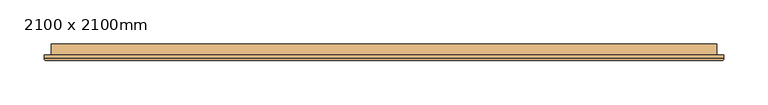
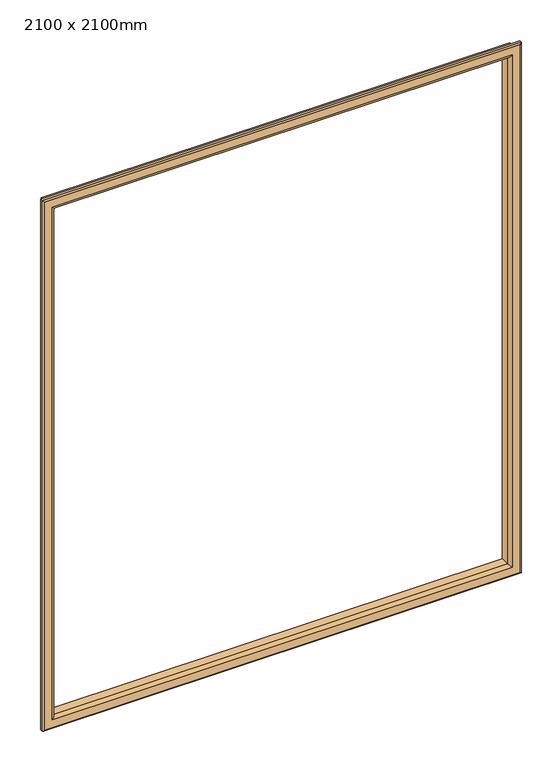
"""IFC4 building model written with IfcOpenShell, lengths in millimetres: door geometry, 2100 x 2100mm."""

from ifc_helpers import new_model, si_unit, frame, origin, place, context, project, spatial, ellipse_curve, source, transform, mapped, element, save
from ifc_brep_helpers import plane_surface, cylinder_surface, advanced_brep


def door_2100_x_2100mm_f00e42ec(model_context):
    return source(origin(), model_context, "Body", "AdvancedBrep", [
        advanced_brep(
        [(-900.0, 158.85, 1100.0), (-900.0, 146.35, 1100.0), (-900.0, 146.35, 1980.0), (-900.0, 158.85, 1980.0), (-888.0, 145.35, 1112.0), (-888.0, 158.85, 1112.0), (-888.0, 158.85, 1968.0), (-888.0, 145.35, 1968.0), (-893.0, 140.35, 1107.0), (-893.0, 140.35, 1973.0), (-908.0, 142.35, 1092.0), (-906.0, 140.35, 1094.0), (-906.0, 140.35, 1986.0), (-908.0, 142.35, 1988.0), (-908.0, 146.35, 1092.0), (-908.0, 146.35, 1988.0), (-150.0, 146.35, 1980.0), (-150.0, 158.85, 1980.0), (-162.0, 158.85, 1968.0), (-162.0, 145.35, 1968.0), (-157.0, 140.35, 1973.0), (-144.0, 140.35, 1986.0), (-142.0, 142.35, 1988.0), (-142.0, 146.35, 1988.0), (-150.0, 146.35, 1100.0), (-150.0, 158.85, 1100.0), (-162.0, 158.85, 1112.0), (-162.0, 145.35, 1112.0), (-157.0, 140.35, 1107.0), (-144.0, 140.35, 1094.0), (-142.0, 142.35, 1092.0), (-142.0, 146.35, 1092.0)],
        [
            (0, 1),
            (1, 2),
            (2, 3),
            (3, 0),
            (4, 5),
            (5, 6),
            (6, 7),
            (7, 4),
            (8, 4, ellipse_curve(frame((-893.0, 145.35, 1107.0), z_axis=(-0.7071067811865475, 0.0, 0.7071067811865475), x_axis=(-0.7071067811865474, 0.0, -0.7071067811865476)), 7.0710678, 5.0)),
            (7, 9, ellipse_curve(frame((-893.0, 145.35, 1973.0), z_axis=(-0.7071067811865475, 0.0, -0.7071067811865475), x_axis=(0.7071067811865474, 0.0, -0.7071067811865476)), 7.0710678, 5.0)),
            (9, 8),
            (10, 11, ellipse_curve(frame((-906.0, 142.35, 1094.0), z_axis=(-0.7071067811865475, 0.0, 0.7071067811865475), x_axis=(-0.7071067811865474, 0.0, -0.7071067811865476)), 2.8284271, 2.0)),
            (11, 12),
            (12, 13, ellipse_curve(frame((-906.0, 142.35, 1986.0), z_axis=(-0.7071067811865475, 0.0, -0.7071067811865475), x_axis=(0.7071067811865474, 0.0, -0.7071067811865476)), 2.8284271, 2.0)),
            (13, 10),
            (14, 10),
            (13, 15),
            (15, 14),
            (2, 16),
            (16, 17),
            (17, 3),
            (6, 18),
            (18, 19),
            (19, 7),
            (19, 20, ellipse_curve(frame((-157.0, 145.35, 1973.0), z_axis=(-0.7071067811865475, 0.0, 0.7071067811865475), x_axis=(-0.7071067811865476, 0.0, -0.7071067811865474)), 7.0710678, 5.0)),
            (20, 9),
            (12, 21),
            (21, 22, ellipse_curve(frame((-144.0, 142.35, 1986.0), z_axis=(-0.7071067811865475, 0.0, 0.7071067811865475), x_axis=(-0.7071067811865476, 0.0, -0.7071067811865474)), 2.8284271, 2.0)),
            (22, 13),
            (22, 23),
            (23, 15),
            (16, 24),
            (24, 25),
            (25, 17),
            (18, 26),
            (26, 27),
            (27, 19),
            (27, 28, ellipse_curve(frame((-157.0, 145.35, 1107.0), z_axis=(0.7071067811865475, 0.0, 0.7071067811865475), x_axis=(-0.7071067811865474, 0.0, 0.7071067811865476)), 7.0710678, 5.0)),
            (28, 20),
            (21, 29),
            (29, 30, ellipse_curve(frame((-144.0, 142.35, 1094.0), z_axis=(0.7071067811865475, 0.0, 0.7071067811865475), x_axis=(-0.7071067811865474, 0.0, 0.7071067811865476)), 2.8284271, 2.0)),
            (30, 22),
            (30, 31),
            (31, 23),
            (31, 14),
            (1, 24),
            (0, 25),
            (5, 26),
            (4, 27),
            (8, 28),
            (11, 29),
            (10, 30),
        ],
        [
            plane_surface(frame((-900.0, 146.35, 1100.0), z_axis=(-1.0, 0.0, 0.0), x_axis=(0.0, 0.0, 1.0))),
            plane_surface(frame((-888.0, 158.85, 1112.0), z_axis=(1.0, 0.0, 0.0), x_axis=(0.0, 0.0, 1.0))),
            cylinder_surface(frame((-893.0, 145.35, 1100.0), z_axis=(0.0, 0.0, -1.0), x_axis=(-1.0, 0.0, 0.0)), 5.0),
            cylinder_surface(frame((-906.0, 142.35, 1100.0), z_axis=(0.0, 0.0, -1.0), x_axis=(-1.0, 0.0, 0.0)), 2.0),
            plane_surface(frame((-908.0, 142.35, 1092.0), z_axis=(-1.0, 0.0, 0.0), x_axis=(0.0, 0.0, 1.0))),
            plane_surface(frame((-900.0, 146.35, 1980.0), z_axis=(0.0, 0.0, 1.0), x_axis=(1.0, 0.0, 0.0))),
            plane_surface(frame((-888.0, 158.85, 1968.0), z_axis=(0.0, 0.0, -1.0), x_axis=(1.0, 0.0, 0.0))),
            cylinder_surface(frame((-900.0, 145.35, 1973.0), z_axis=(-1.0, 0.0, 0.0), x_axis=(0.0, 0.0, 1.0)), 5.0),
            cylinder_surface(frame((-900.0, 142.35, 1986.0), z_axis=(-1.0, 0.0, 0.0), x_axis=(0.0, 0.0, 1.0)), 2.0),
            plane_surface(frame((-908.0, 142.35, 1988.0), z_axis=(0.0, 0.0, 1.0), x_axis=(1.0, 0.0, 0.0))),
            plane_surface(frame((-150.0, 146.35, 1980.0), z_axis=(1.0, 0.0, 0.0), x_axis=(0.0, 0.0, -1.0))),
            plane_surface(frame((-162.0, 158.85, 1968.0), z_axis=(-1.0, 0.0, 0.0), x_axis=(0.0, 0.0, -1.0))),
            cylinder_surface(frame((-157.0, 145.35, 1980.0), z_axis=(0.0, 0.0, 1.0), x_axis=(1.0, 0.0, 0.0)), 5.0),
            cylinder_surface(frame((-144.0, 142.35, 1980.0), z_axis=(0.0, 0.0, 1.0), x_axis=(1.0, 0.0, 0.0)), 2.0),
            plane_surface(frame((-142.0, 142.35, 1988.0), z_axis=(1.0, 0.0, 0.0), x_axis=(0.0, 0.0, -1.0))),
            plane_surface(frame((-142.0, 146.35, 1092.0), z_axis=(0.0, 1.0, 0.0), x_axis=(-1.0, 0.0, 0.0))),
            plane_surface(frame((-150.0, 146.35, 1100.0), z_axis=(0.0, 0.0, -1.0), x_axis=(-1.0, 0.0, 0.0))),
            plane_surface(frame((-150.0, 158.85, 1100.0), z_axis=(0.0, 1.0, 0.0), x_axis=(-1.0, 0.0, 0.0))),
            plane_surface(frame((-162.0, 158.85, 1112.0), z_axis=(0.0, 0.0, 1.0), x_axis=(-1.0, 0.0, 0.0))),
            cylinder_surface(frame((-150.0, 145.35, 1107.0), z_axis=(1.0, 0.0, 0.0), x_axis=(0.0, 0.0, -1.0)), 5.0),
            plane_surface(frame((-157.0, 140.35, 1107.0), z_axis=(0.0, -1.0, 0.0), x_axis=(-1.0, 0.0, 0.0))),
            cylinder_surface(frame((-150.0, 142.35, 1094.0), z_axis=(1.0, 0.0, 0.0), x_axis=(0.0, 0.0, -1.0)), 2.0),
            plane_surface(frame((-142.0, 142.35, 1092.0), z_axis=(0.0, 0.0, -1.0), x_axis=(-1.0, 0.0, 0.0))),
        ],
        [
            (0, [[1, 2, 3, 4]]),
            (1, [[5, 6, 7, 8]]),
            (2, [[9, -8, 10, 11]]),
            (3, [[12, 13, 14, 15]]),
            (4, [[16, -15, 17, 18]]),
            (5, [[-3, 19, 20, 21]]),
            (6, [[-7, 22, 23, 24]]),
            (7, [[-10, -24, 25, 26]]),
            (8, [[-14, 27, 28, 29]]),
            (9, [[-17, -29, 30, 31]]),
            (10, [[-20, 32, 33, 34]]),
            (11, [[-23, 35, 36, 37]]),
            (12, [[-25, -37, 38, 39]]),
            (13, [[-28, 40, 41, 42]]),
            (14, [[-30, -42, 43, 44]]),
            (15, [[-31, -44, 45, -18], [46, -32, -19, -2]]),
            (16, [[-33, -46, -1, 47]]),
            (17, [[-21, -34, -47, -4], [48, -35, -22, -6]]),
            (18, [[-36, -48, -5, 49]]),
            (19, [[-38, -49, -9, 50]]),
            (20, [[51, -40, -27, -13], [-26, -39, -50, -11]]),
            (21, [[-41, -51, -12, 52]]),
            (22, [[-43, -52, -16, -45]]),
        ],
    ),
    ])


if __name__ == "__main__":
    model = new_model("IFC4")
    model_context = context("Model", 3, world=origin())
    ifc_project = project(units=[si_unit("LENGTHUNIT", "METRE", prefix="MILLI")], contexts=[model_context])
    site = spatial("IfcSite", under=ifc_project)
    building = spatial("IfcBuilding", under=site)
    placement = place(None, origin())
    door_2100_x_2100mm_shape = door_2100_x_2100mm_f00e42ec(model_context)
    element("IfcDoor", 1, ObjectType="2100 x 2100mm", at=placement, inside=building, context=model_context, shape_type="MappedRepresentation", body=[
        mapped(door_2100_x_2100mm_shape, transform((0.0, 0.0, 0.0), x_axis=(1.0, 0.0, 0.0), y_axis=(0.0, 1.0, 0.0), z_axis=(0.0, 0.0, 1.0))),
    ])
    save(model, "model.ifc")
